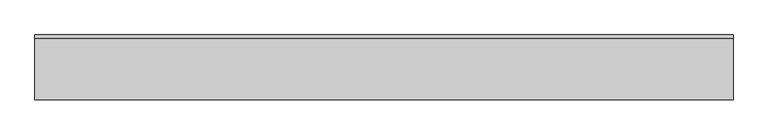
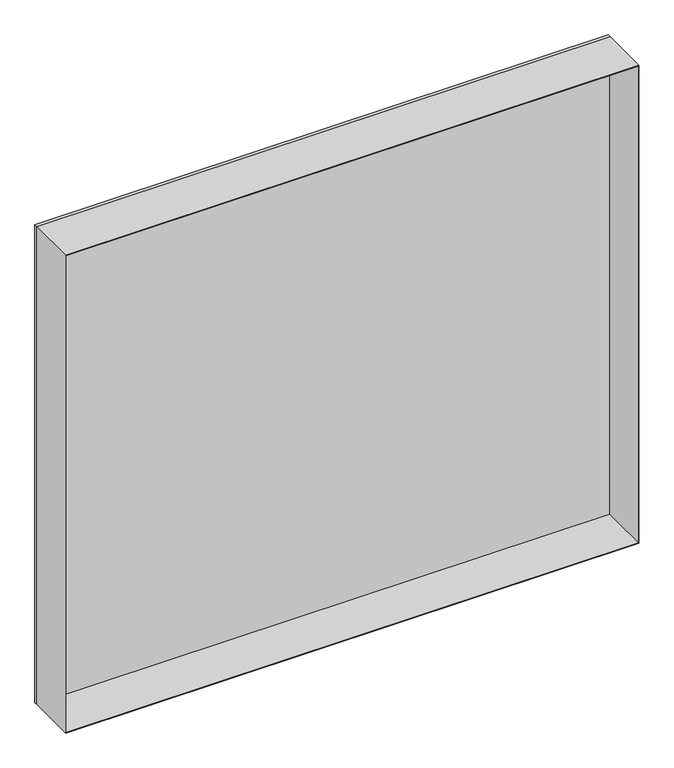
"""IFC4 building model written with IfcOpenShell, lengths in millimetres: plate geometry."""

from ifc_helpers import new_model, si_unit, frame, origin, origin_with_axes, place, context, project, spatial, polyline, outline, extrude, source, transform, mapped, element, save


def plate_90da54bf(model_context):
    return source(origin(), model_context, "Body", "SweptSolid", [
        extrude(outline(polyline([(950.25, -539.9375001), (0.0, -539.9375001), (0.0, 539.9375001), (950.25, 539.9375001), (950.25, -539.9375001)]), holes=[polyline([(949.25, -538.9375001), (949.25, 538.9375001), (1.0, 538.9375001), (1.0, -538.9375001), (949.25, -538.9375001)])]), frame((0.0, -50.0, 0.0), z_axis=(0.0, 1.0, 0.0), x_axis=(0.0, 0.0, 1.0)), (0.0, 0.0, 1.0), 94.0),
        extrude(outline(polyline([(539.9375001, 44.0), (-539.9375001, 44.0), (-539.9375001, 50.0), (539.9375001, 50.0), (539.9375001, 44.0)])), origin_with_axes(), (0.0, 0.0, 1.0), 950.25),
    ])


if __name__ == "__main__":
    model = new_model("IFC4")
    model_context = context("Model", 3, world=origin())
    ifc_project = project(units=[si_unit("LENGTHUNIT", "METRE", prefix="MILLI")], contexts=[model_context])
    site = spatial("IfcSite", under=ifc_project)
    building = spatial("IfcBuilding", under=site)
    placement = place(None, origin())
    plate_shape = plate_90da54bf(model_context)
    element("IfcPlate", 1, at=placement, inside=building, context=model_context, shape_type="MappedRepresentation", body=[
        mapped(plate_shape, transform((0.0, 0.0, 0.0), x_axis=(1.0, 0.0, 0.0), y_axis=(0.0, 1.0, 0.0), z_axis=(0.0, 0.0, 1.0))),
    ])
    save(model, "model.ifc")
